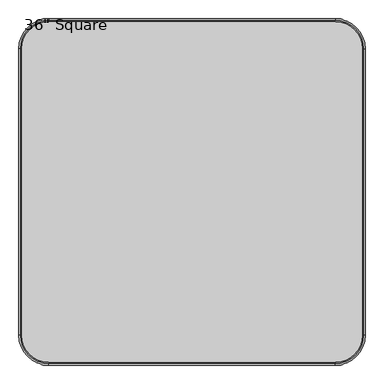
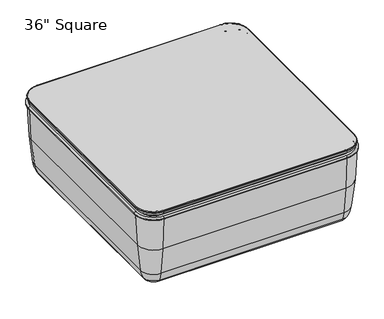
"""IFC4 building model written with IfcOpenShell, lengths in millimetres: furniture geometry."""

from ifc_helpers import new_model, si_unit, point, frame, origin, place, context, project, spatial, polyline, circle_curve, ellipse_curve, trimmed, source, transform, mapped, element, save
from ifc_brep_helpers import plane_surface, cylinder_surface, revolved_surface, advanced_brep


def furniture_7441102c(model_context):
    return source(origin(), model_context, "Body", "AdvancedBrep", [
        advanced_brep(
        [(300.0001866, 300.0089309, 25.0), (337.5023802, 300.0089309, 25.0), (262.4979929, 300.0089309, 25.0), (337.5023802, 300.0089309, 10.0663568), (262.4979929, 300.0089309, 10.0663568), (327.4360233, 300.0089309, 0.0), (272.5643498, 300.0089309, 0.0), (300.0001866, 300.0089309, 0.0)],
        [
            (0, 1),
            (1, 2, circle_curve(frame((300.0001866, 300.0089309, 25.0), z_axis=(0.0, 0.0, 1.0), x_axis=(1.0, 0.0, 0.0)), 37.5021936)),
            (2, 0),
            (2, 1, circle_curve(frame((300.0001866, 300.0089309, 25.0), z_axis=(0.0, 0.0, 1.0), x_axis=(1.0, 0.0, 0.0)), 37.5021936)),
            (1, 3),
            (3, 4, circle_curve(frame((300.0001866, 300.0089309, 10.0663568), z_axis=(0.0, 0.0, 1.0), x_axis=(1.0, 0.0, 0.0)), 37.5021936)),
            (4, 2),
            (4, 3, circle_curve(frame((300.0001866, 300.0089309, 10.0663568), z_axis=(0.0, 0.0, 1.0), x_axis=(1.0, 0.0, 0.0)), 37.5021936)),
            (3, 5, circle_curve(frame((327.4360233, 300.0089309, 10.0663568), z_axis=(0.0, 1.0, 0.0), x_axis=(-1.0, 0.0, 0.0)), 10.0663568)),
            (5, 6, circle_curve(frame((300.0001866, 300.0089309, 0.0), z_axis=(0.0, 0.0, 1.0), x_axis=(1.0, 0.0, 0.0)), 27.4358368)),
            (6, 4, circle_curve(frame((272.5643498, 300.0089309, 10.0663568), z_axis=(0.0, 1.0, 0.0), x_axis=(1.0, 0.0, 0.0)), 10.0663568)),
            (6, 5, circle_curve(frame((300.0001866, 300.0089309, 0.0), z_axis=(0.0, 0.0, 1.0), x_axis=(1.0, 0.0, 0.0)), 27.4358368)),
            (5, 7),
            (7, 6),
        ],
        [
            plane_surface(frame((300.0001866, 300.0089309, 25.0), z_axis=(0.0, 0.0, 1.0), x_axis=(1.0, 0.0, 0.0))),
            cylinder_surface(frame((300.0001866, 300.0089309, 25.0), z_axis=(0.0, 0.0, 1.0), x_axis=(1.0, 0.0, 0.0)), 37.5021936),
            revolved_surface(trimmed(ellipse_curve(frame((327.4360233, 300.0089309, 10.0663568), z_axis=(0.0, -1.0, 0.0), x_axis=(-1.0, 0.0, 0.0)), 10.0663568, 10.0663568), [point((327.4360233, 300.0089309, 0.0))], [point((337.5023802, 300.0089309, 10.0663568))], True, "CARTESIAN"), (300.0001866, 300.0089309, 25.0), (0.0, 0.0, 1.0)),
            plane_surface(frame((300.0001866, 300.0089309, 0.0), z_axis=(0.0, 0.0, -1.0), x_axis=(1.0, 0.0, 0.0))),
        ],
        [
            (0, [[1, 2, 3]]),
            (0, [[-3, 4, -1]]),
            (1, [[-2, 5, 6, 7]]),
            (1, [[-4, -7, 8, -5]]),
            (2, [[-6, 9, 10, 11]]),
            (2, [[-8, -11, 12, -9]]),
            (3, [[-10, 13, 14]]),
            (3, [[-12, -14, -13]]),
        ],
    ),
        advanced_brep(
        [(-262.4979929, 300.0089309, 25.0), (-337.5023802, 300.0089309, 25.0), (-300.0001866, 300.0089309, 25.0), (-262.4979929, 300.0089309, 10.0663568), (-337.5023802, 300.0089309, 10.0663568), (-272.5643498, 300.0089309, 0.0), (-327.4360233, 300.0089309, 0.0), (-300.0001866, 300.0089309, 0.0)],
        [
            (0, 1, circle_curve(frame((-300.0001866, 300.0089309, 25.0), z_axis=(0.0, 0.0, 1.0), x_axis=(-1.0, 0.0, 0.0)), 37.5021936)),
            (1, 2),
            (2, 0),
            (1, 0, circle_curve(frame((-300.0001866, 300.0089309, 25.0), z_axis=(0.0, 0.0, 1.0), x_axis=(-1.0, 0.0, 0.0)), 37.5021936)),
            (3, 4, circle_curve(frame((-300.0001866, 300.0089309, 10.0663568), z_axis=(0.0, 0.0, 1.0), x_axis=(-1.0, 0.0, 0.0)), 37.5021936)),
            (4, 1),
            (0, 3),
            (4, 3, circle_curve(frame((-300.0001866, 300.0089309, 10.0663568), z_axis=(0.0, 0.0, 1.0), x_axis=(-1.0, 0.0, 0.0)), 37.5021936)),
            (5, 6, circle_curve(frame((-300.0001866, 300.0089309, 0.0), z_axis=(0.0, 0.0, 1.0), x_axis=(-1.0, 0.0, 0.0)), 27.4358368)),
            (6, 4, circle_curve(frame((-327.4360233, 300.0089309, 10.0663568), z_axis=(0.0, 1.0, 0.0), x_axis=(-1.0, 0.0, 0.0)), 10.0663568)),
            (3, 5, circle_curve(frame((-272.5643498, 300.0089309, 10.0663568), z_axis=(0.0, 1.0, 0.0), x_axis=(1.0, 0.0, 0.0)), 10.0663568)),
            (6, 5, circle_curve(frame((-300.0001866, 300.0089309, 0.0), z_axis=(0.0, 0.0, 1.0), x_axis=(-1.0, 0.0, 0.0)), 27.4358368)),
            (7, 6),
            (5, 7),
        ],
        [
            plane_surface(frame((-300.0001866, 300.0089309, 25.0), z_axis=(0.0, 0.0, 1.0), x_axis=(-1.0, 0.0, 0.0))),
            cylinder_surface(frame((-300.0001866, 300.0089309, 25.0), z_axis=(0.0, 0.0, -1.0), x_axis=(-1.0, 0.0, 0.0)), 37.5021936),
            revolved_surface(trimmed(ellipse_curve(frame((-327.4360233, 300.0089309, 10.0663568), z_axis=(0.0, -1.0, 0.0), x_axis=(-1.0, 0.0, 0.0)), 10.0663568, 10.0663568), [point((-337.5023802, 300.0089309, 10.0663568))], [point((-327.4360233, 300.0089309, 0.0))], True, "CARTESIAN"), (-300.0001866, 300.0089309, 25.0), (0.0, 0.0, -1.0)),
            plane_surface(frame((-300.0001866, 300.0089309, 0.0), z_axis=(0.0, 0.0, -1.0), x_axis=(-1.0, 0.0, 0.0))),
        ],
        [
            (0, [[1, 2, 3]]),
            (0, [[4, -3, -2]]),
            (1, [[5, 6, -1, 7]]),
            (1, [[8, -7, -4, -6]]),
            (2, [[9, 10, -5, 11]]),
            (2, [[12, -11, -8, -10]]),
            (3, [[13, -9, 14]]),
            (3, [[-14, -12, -13]]),
        ],
    ),
        advanced_brep(
        [(262.4979929, -300.0089309, 25.0), (337.5023802, -300.0089309, 25.0), (300.0001866, -300.0089309, 25.0), (262.4979929, -300.0089309, 10.0663568), (337.5023802, -300.0089309, 10.0663568), (272.5643498, -300.0089309, 0.0), (327.4360233, -300.0089309, 0.0), (300.0001866, -300.0089309, 0.0)],
        [
            (0, 1, circle_curve(frame((300.0001866, -300.0089309, 25.0), z_axis=(0.0, 0.0, 1.0), x_axis=(1.0, 0.0, 0.0)), 37.5021936)),
            (1, 2),
            (2, 0),
            (1, 0, circle_curve(frame((300.0001866, -300.0089309, 25.0), z_axis=(0.0, 0.0, 1.0), x_axis=(1.0, 0.0, 0.0)), 37.5021936)),
            (3, 4, circle_curve(frame((300.0001866, -300.0089309, 10.0663568), z_axis=(0.0, 0.0, 1.0), x_axis=(1.0, 0.0, 0.0)), 37.5021936)),
            (4, 1),
            (0, 3),
            (4, 3, circle_curve(frame((300.0001866, -300.0089309, 10.0663568), z_axis=(0.0, 0.0, 1.0), x_axis=(1.0, 0.0, 0.0)), 37.5021936)),
            (5, 6, circle_curve(frame((300.0001866, -300.0089309, 0.0), z_axis=(0.0, 0.0, 1.0), x_axis=(1.0, 0.0, 0.0)), 27.4358368)),
            (6, 4, circle_curve(frame((327.4360233, -300.0089309, 10.0663568), z_axis=(0.0, -1.0, 0.0), x_axis=(-1.0, 0.0, 0.0)), 10.0663568)),
            (3, 5, circle_curve(frame((272.5643498, -300.0089309, 10.0663568), z_axis=(0.0, -1.0, 0.0), x_axis=(1.0, 0.0, 0.0)), 10.0663568)),
            (6, 5, circle_curve(frame((300.0001866, -300.0089309, 0.0), z_axis=(0.0, 0.0, 1.0), x_axis=(1.0, 0.0, 0.0)), 27.4358368)),
            (7, 6),
            (5, 7),
        ],
        [
            plane_surface(frame((300.0001866, -300.0089309, 25.0), z_axis=(0.0, 0.0, 1.0), x_axis=(1.0, 0.0, 0.0))),
            cylinder_surface(frame((300.0001866, -300.0089309, 25.0), z_axis=(0.0, 0.0, -1.0), x_axis=(1.0, 0.0, 0.0)), 37.5021936),
            revolved_surface(trimmed(ellipse_curve(frame((327.4360233, -300.0089309, 10.0663568), z_axis=(0.0, 1.0, 0.0), x_axis=(-1.0, 0.0, 0.0)), 10.0663568, 10.0663568), [point((337.5023802, -300.0089309, 10.0663568))], [point((327.4360233, -300.0089309, 0.0))], True, "CARTESIAN"), (300.0001866, -300.0089309, 25.0), (0.0, 0.0, -1.0)),
            plane_surface(frame((300.0001866, -300.0089309, 0.0), z_axis=(0.0, 0.0, -1.0), x_axis=(1.0, 0.0, 0.0))),
        ],
        [
            (0, [[1, 2, 3]]),
            (0, [[4, -3, -2]]),
            (1, [[5, 6, -1, 7]]),
            (1, [[8, -7, -4, -6]]),
            (2, [[9, 10, -5, 11]]),
            (2, [[12, -11, -8, -10]]),
            (3, [[13, -9, 14]]),
            (3, [[-14, -12, -13]]),
        ],
    ),
        advanced_brep(
        [(-300.0001866, -300.0089309, 25.0), (-337.5023802, -300.0089309, 25.0), (-262.4979929, -300.0089309, 25.0), (-337.5023802, -300.0089309, 10.0663568), (-262.4979929, -300.0089309, 10.0663568), (-327.4360233, -300.0089309, 0.0), (-272.5643498, -300.0089309, 0.0), (-300.0001866, -300.0089309, 0.0)],
        [
            (0, 1),
            (1, 2, circle_curve(frame((-300.0001866, -300.0089309, 25.0), z_axis=(0.0, 0.0, 1.0), x_axis=(-1.0, 0.0, 0.0)), 37.5021936)),
            (2, 0),
            (2, 1, circle_curve(frame((-300.0001866, -300.0089309, 25.0), z_axis=(0.0, 0.0, 1.0), x_axis=(-1.0, 0.0, 0.0)), 37.5021936)),
            (1, 3),
            (3, 4, circle_curve(frame((-300.0001866, -300.0089309, 10.0663568), z_axis=(0.0, 0.0, 1.0), x_axis=(-1.0, 0.0, 0.0)), 37.5021936)),
            (4, 2),
            (4, 3, circle_curve(frame((-300.0001866, -300.0089309, 10.0663568), z_axis=(0.0, 0.0, 1.0), x_axis=(-1.0, 0.0, 0.0)), 37.5021936)),
            (3, 5, circle_curve(frame((-327.4360233, -300.0089309, 10.0663568), z_axis=(0.0, -1.0, 0.0), x_axis=(-1.0, 0.0, 0.0)), 10.0663568)),
            (5, 6, circle_curve(frame((-300.0001866, -300.0089309, 0.0), z_axis=(0.0, 0.0, 1.0), x_axis=(-1.0, 0.0, 0.0)), 27.4358368)),
            (6, 4, circle_curve(frame((-272.5643498, -300.0089309, 10.0663568), z_axis=(0.0, -1.0, 0.0), x_axis=(1.0, 0.0, 0.0)), 10.0663568)),
            (6, 5, circle_curve(frame((-300.0001866, -300.0089309, 0.0), z_axis=(0.0, 0.0, 1.0), x_axis=(-1.0, 0.0, 0.0)), 27.4358368)),
            (5, 7),
            (7, 6),
        ],
        [
            plane_surface(frame((-300.0001866, -300.0089309, 25.0), z_axis=(0.0, 0.0, 1.0), x_axis=(-1.0, 0.0, 0.0))),
            cylinder_surface(frame((-300.0001866, -300.0089309, 25.0), z_axis=(0.0, 0.0, 1.0), x_axis=(-1.0, 0.0, 0.0)), 37.5021936),
            revolved_surface(trimmed(ellipse_curve(frame((-327.4360233, -300.0089309, 10.0663568), z_axis=(0.0, 1.0, 0.0), x_axis=(-1.0, 0.0, 0.0)), 10.0663568, 10.0663568), [point((-327.4360233, -300.0089309, 0.0))], [point((-337.5023802, -300.0089309, 10.0663568))], True, "CARTESIAN"), (-300.0001866, -300.0089309, 25.0), (0.0, 0.0, 1.0)),
            plane_surface(frame((-300.0001866, -300.0089309, 0.0), z_axis=(0.0, 0.0, -1.0), x_axis=(-1.0, 0.0, 0.0))),
        ],
        [
            (0, [[1, 2, 3]]),
            (0, [[-3, 4, -1]]),
            (1, [[-2, 5, 6, 7]]),
            (1, [[-4, -7, 8, -5]]),
            (2, [[-6, 9, 10, 11]]),
            (2, [[-8, -11, 12, -9]]),
            (3, [[-10, 13, 14]]),
            (3, [[-12, -14, -13]]),
        ],
    ),
        advanced_brep(
        [(382.2, -462.1938413, 340.0122715), (462.1938413, -382.2, 340.0122715), (452.2061587, -382.2, 340.0122715), (382.2, -452.2061587, 340.0122715), (-382.2, -452.2061587, 340.0122715), (-382.2, -462.1938413, 340.0122715), (-462.1938413, -382.2, 340.0122715), (-452.2061587, -382.2, 340.0122715), (-452.2061587, 382.2, 340.0122715), (-462.1938413, 382.2, 340.0122715), (-382.2, 462.1938413, 340.0122715), (-382.2, 452.2061587, 340.0122715), (382.2, 452.2061587, 340.0122715), (382.2, 462.1938413, 340.0122715), (462.1938413, 382.2, 340.0122715), (452.2061587, 382.2, 340.0122715)],
        [
            (0, 1, circle_curve(frame((382.2, -382.2, 340.0122715), z_axis=(0.0, 0.0, 1.0), x_axis=(1.0, 0.0, 0.0)), 79.9938413)),
            (1, 2, circle_curve(frame((457.2, -382.2, 340.0122715), z_axis=(0.0, -1.0, 0.0), x_axis=(1.0, 0.0, 0.0)), 4.9938413)),
            (2, 3, circle_curve(frame((382.2, -382.2, 340.0122715), z_axis=(0.0, 0.0, -1.0), x_axis=(1.0, 0.0, 0.0)), 70.0061587)),
            (3, 0, circle_curve(frame((382.2, -457.2, 340.0122715), z_axis=(1.0, 0.0, 0.0), x_axis=(0.0, -1.0, 0.0)), 4.9938413)),
            (2, 1, circle_curve(frame((457.2, -382.2, 340.0122715), z_axis=(0.0, -1.0, 0.0), x_axis=(1.0, 0.0, 0.0)), 4.9938413)),
            (0, 3, circle_curve(frame((382.2, -457.2, 340.0122715), z_axis=(1.0, 0.0, 0.0), x_axis=(0.0, -1.0, 0.0)), 4.9938413)),
            (3, 4),
            (4, 5, circle_curve(frame((-382.2, -457.2, 340.0122715), z_axis=(1.0, 0.0, 0.0), x_axis=(0.0, -1.0, 0.0)), 4.9938413)),
            (5, 0),
            (5, 4, circle_curve(frame((-382.2, -457.2, 340.0122715), z_axis=(1.0, 0.0, 0.0), x_axis=(0.0, -1.0, 0.0)), 4.9938413)),
            (6, 5, circle_curve(frame((-382.2, -382.2, 340.0122715), z_axis=(0.0, 0.0, 1.0), x_axis=(0.0, -1.0, 0.0)), 79.9938413)),
            (4, 7, circle_curve(frame((-382.2, -382.2, 340.0122715), z_axis=(0.0, 0.0, -1.0), x_axis=(0.0, -1.0, 0.0)), 70.0061587)),
            (7, 6, circle_curve(frame((-457.2, -382.2, 340.0122715), z_axis=(0.0, -1.0, 0.0), x_axis=(-1.0, 0.0, 0.0)), 4.9938413)),
            (6, 7, circle_curve(frame((-457.2, -382.2, 340.0122715), z_axis=(0.0, -1.0, 0.0), x_axis=(-1.0, 0.0, 0.0)), 4.9938413)),
            (7, 8),
            (8, 9, circle_curve(frame((-457.2, 382.2, 340.0122715), z_axis=(0.0, -1.0, 0.0), x_axis=(-1.0, 0.0, 0.0)), 4.9938413)),
            (9, 6),
            (9, 8, circle_curve(frame((-457.2, 382.2, 340.0122715), z_axis=(0.0, -1.0, 0.0), x_axis=(-1.0, 0.0, 0.0)), 4.9938413)),
            (10, 9, circle_curve(frame((-382.2, 382.2, 340.0122715), z_axis=(0.0, 0.0, 1.0), x_axis=(-1.0, 0.0, 0.0)), 79.9938413)),
            (8, 11, circle_curve(frame((-382.2, 382.2, 340.0122715), z_axis=(0.0, 0.0, -1.0), x_axis=(-1.0, 0.0, 0.0)), 70.0061587)),
            (11, 10, circle_curve(frame((-382.2, 457.2, 340.0122715), z_axis=(-1.0, 0.0, 0.0), x_axis=(0.0, 1.0, 0.0)), 4.9938413)),
            (10, 11, circle_curve(frame((-382.2, 457.2, 340.0122715), z_axis=(-1.0, 0.0, 0.0), x_axis=(0.0, 1.0, 0.0)), 4.9938413)),
            (11, 12),
            (12, 13, circle_curve(frame((382.2, 457.2, 340.0122715), z_axis=(-1.0, 0.0, 0.0), x_axis=(0.0, 1.0, 0.0)), 4.9938413)),
            (13, 10),
            (13, 12, circle_curve(frame((382.2, 457.2, 340.0122715), z_axis=(-1.0, 0.0, 0.0), x_axis=(0.0, 1.0, 0.0)), 4.9938413)),
            (14, 13, circle_curve(frame((382.2, 382.2, 340.0122715), z_axis=(0.0, 0.0, 1.0), x_axis=(0.0, 1.0, 0.0)), 79.9938413)),
            (12, 15, circle_curve(frame((382.2, 382.2, 340.0122715), z_axis=(0.0, 0.0, -1.0), x_axis=(0.0, 1.0, 0.0)), 70.0061587)),
            (15, 14, circle_curve(frame((457.2, 382.2, 340.0122715), z_axis=(0.0, 1.0, 0.0), x_axis=(1.0, 0.0, 0.0)), 4.9938413)),
            (14, 15, circle_curve(frame((457.2, 382.2, 340.0122715), z_axis=(0.0, 1.0, 0.0), x_axis=(1.0, 0.0, 0.0)), 4.9938413)),
            (15, 2),
            (1, 14),
        ],
        [
            revolved_surface(trimmed(ellipse_curve(frame((457.2, -382.2, 340.0122715), z_axis=(0.0, 1.0, 0.0), x_axis=(1.0, 0.0, 0.0)), 4.9938413, 4.9938413), [point((452.2061587, -382.2, 340.0122715))], [point((462.1938413, -382.2, 340.0122715))], True, "CARTESIAN"), (382.2, -382.2, 335.0184302), (0.0, 0.0, -1.0)),
            revolved_surface(trimmed(ellipse_curve(frame((457.2, -382.2, 340.0122715), z_axis=(0.0, 1.0, 0.0), x_axis=(1.0, 0.0, 0.0)), 4.9938413, 4.9938413), [point((462.1938413, -382.2, 340.0122715))], [point((452.2061587, -382.2, 340.0122715))], True, "CARTESIAN"), (382.2, -382.2, 335.0184302), (0.0, 0.0, -1.0)),
            cylinder_surface(frame((382.2, -457.2, 340.0122715), z_axis=(1.0, 0.0, 0.0), x_axis=(0.0, -1.0, 0.0)), 4.9938413),
            revolved_surface(trimmed(ellipse_curve(frame((-382.2, -457.2, 340.0122715), z_axis=(1.0, 0.0, 0.0), x_axis=(0.0, -1.0, 0.0)), 4.9938413, 4.9938413), [point((-382.2, -452.2061587, 340.0122715))], [point((-382.2, -462.1938413, 340.0122715))], True, "CARTESIAN"), (-382.2, -382.2, 335.0184302), (0.0, 0.0, -1.0)),
            revolved_surface(trimmed(ellipse_curve(frame((-382.2, -457.2, 340.0122715), z_axis=(1.0, 0.0, 0.0), x_axis=(0.0, -1.0, 0.0)), 4.9938413, 4.9938413), [point((-382.2, -462.1938413, 340.0122715))], [point((-382.2, -452.2061587, 340.0122715))], True, "CARTESIAN"), (-382.2, -382.2, 335.0184302), (0.0, 0.0, -1.0)),
            cylinder_surface(frame((-457.2, -382.2, 340.0122715), z_axis=(0.0, -1.0, 0.0), x_axis=(-1.0, 0.0, 0.0)), 4.9938413),
            revolved_surface(trimmed(ellipse_curve(frame((-457.2, 382.2, 340.0122715), z_axis=(0.0, -1.0, 0.0), x_axis=(-1.0, 0.0, 0.0)), 4.9938413, 4.9938413), [point((-452.2061587, 382.2, 340.0122715))], [point((-462.1938413, 382.2, 340.0122715))], True, "CARTESIAN"), (-382.2, 382.2, 335.0184302), (0.0, 0.0, -1.0)),
            revolved_surface(trimmed(ellipse_curve(frame((-457.2, 382.2, 340.0122715), z_axis=(0.0, -1.0, 0.0), x_axis=(-1.0, 0.0, 0.0)), 4.9938413, 4.9938413), [point((-462.1938413, 382.2, 340.0122715))], [point((-452.2061587, 382.2, 340.0122715))], True, "CARTESIAN"), (-382.2, 382.2, 335.0184302), (0.0, 0.0, -1.0)),
            cylinder_surface(frame((-382.2, 457.2, 340.0122715), z_axis=(-1.0, 0.0, 0.0), x_axis=(0.0, 1.0, 0.0)), 4.9938413),
            revolved_surface(trimmed(ellipse_curve(frame((382.2, 457.2, 340.0122715), z_axis=(-1.0, 0.0, 0.0), x_axis=(0.0, 1.0, 0.0)), 4.9938413, 4.9938413), [point((382.2, 452.2061587, 340.0122715))], [point((382.2, 462.1938413, 340.0122715))], True, "CARTESIAN"), (382.2, 382.2, 335.0184302), (0.0, 0.0, -1.0)),
            revolved_surface(trimmed(ellipse_curve(frame((382.2, 457.2, 340.0122715), z_axis=(-1.0, 0.0, 0.0), x_axis=(0.0, 1.0, 0.0)), 4.9938413, 4.9938413), [point((382.2, 462.1938413, 340.0122715))], [point((382.2, 452.2061587, 340.0122715))], True, "CARTESIAN"), (382.2, 382.2, 335.0184302), (0.0, 0.0, -1.0)),
            cylinder_surface(frame((457.2, 382.2, 340.0122715), z_axis=(0.0, 1.0, 0.0), x_axis=(1.0, 0.0, 0.0)), 4.9938413),
        ],
        [
            (0, [[1, 2, 3, 4]]),
            (1, [[-3, 5, -1, 6]]),
            (2, [[-4, 7, 8, 9]]),
            (2, [[-6, -9, 10, -7]]),
            (3, [[11, -8, 12, 13]]),
            (4, [[-12, -10, -11, 14]]),
            (5, [[-13, 15, 16, 17]]),
            (5, [[-14, -17, 18, -15]]),
            (6, [[19, -16, 20, 21]]),
            (7, [[-20, -18, -19, 22]]),
            (8, [[-21, 23, 24, 25]]),
            (8, [[-22, -25, 26, -23]]),
            (9, [[27, -24, 28, 29]]),
            (10, [[-28, -26, -27, 30]]),
            (11, [[-29, 31, -2, 32]]),
            (11, [[-30, -32, -5, -31]]),
        ],
    ),
        advanced_brep(
        [(382.2, 454.025, 370.0), (-382.2, 454.025, 370.0), (-454.025, 382.2, 370.0), (-454.025, -382.2, 370.0), (-382.2, -454.025, 370.0), (382.2, -454.025, 370.0), (454.025, -382.2, 370.0), (454.025, 382.2, 370.0), (-382.2, -430.85, 335.0184302), (-430.85, -382.2, 335.0184302), (-430.85, 382.2, 335.0184302), (-382.2, 430.85, 335.0184302), (382.2, 430.85, 335.0184302), (430.85, 382.2, 335.0184302), (430.85, -382.2, 335.0184302), (382.2, -430.85, 335.0184302), (382.2, -430.85, 340.0), (-382.2, -430.85, 340.0), (430.85, -382.2, 340.0), (430.85, 382.2, 340.0), (382.2, 430.85, 340.0), (-382.2, 430.85, 340.0), (-430.85, 382.2, 340.0), (-430.85, -382.2, 340.0), (-382.2, -437.2, 350.0), (-437.2, -382.2, 350.0), (-437.2, -382.2, 340.0), (-382.2, -437.2, 340.0), (-382.2, -457.2, 366.825), (-457.2, -382.2, 366.825), (-457.2, -382.2, 365.875), (-382.2, -457.2, 365.875), (382.2, -437.2, 340.0), (382.2, -437.2, 350.0), (382.2, -457.2, 365.875), (382.2, -457.2, 366.825), (437.2, -382.2, 340.0), (437.2, -382.2, 350.0), (457.2, -382.2, 365.875), (457.2, -382.2, 366.825), (437.2, 382.2, 340.0), (437.2, 382.2, 350.0), (457.2, 382.2, 365.875), (457.2, 382.2, 366.825), (382.2, 437.2, 340.0), (382.2, 437.2, 350.0), (382.2, 457.2, 365.875), (382.2, 457.2, 366.825), (-382.2, 437.2, 340.0), (-382.2, 437.2, 350.0), (-382.2, 457.2, 365.875), (-382.2, 457.2, 366.825), (-437.2, 382.2, 340.0), (-437.2, 382.2, 350.0), (-457.2, 382.2, 365.875), (-457.2, 382.2, 366.825), (-441.325, -382.2, 350.0), (-441.325, 382.2, 350.0), (-382.2, 441.325, 350.0), (382.2, 441.325, 350.0), (441.325, 382.2, 350.0), (441.325, -382.2, 350.0), (382.2, -441.325, 350.0), (-382.2, -441.325, 350.0)],
        [
            (0, 1),
            (1, 2, circle_curve(frame((-382.2, 382.2, 370.0), z_axis=(0.0, 0.0, 1.0), x_axis=(0.0, 1.0, 0.0)), 71.825)),
            (2, 3),
            (3, 4, circle_curve(frame((-382.2, -382.2, 370.0), z_axis=(0.0, 0.0, 1.0), x_axis=(-1.0, 0.0, 0.0)), 71.825)),
            (4, 5),
            (5, 6, circle_curve(frame((382.2, -382.2, 370.0), z_axis=(0.0, 0.0, 1.0), x_axis=(0.0, -1.0, 0.0)), 71.825)),
            (6, 7),
            (7, 0, circle_curve(frame((382.2, 382.2, 370.0), z_axis=(0.0, 0.0, 1.0), x_axis=(1.0, 0.0, 0.0)), 71.825)),
            (8, 9, circle_curve(frame((-382.2, -382.2, 335.0184302), z_axis=(0.0, 0.0, -1.0), x_axis=(-1.0, 0.0, 0.0)), 48.65)),
            (9, 10),
            (10, 11, circle_curve(frame((-382.2, 382.2, 335.0184302), z_axis=(0.0, 0.0, -1.0), x_axis=(-1.0, 0.0, 0.0)), 48.65)),
            (11, 12),
            (12, 13, circle_curve(frame((382.2, 382.2, 335.0184302), z_axis=(0.0, 0.0, -1.0), x_axis=(-1.0, 0.0, 0.0)), 48.65)),
            (13, 14),
            (14, 15, circle_curve(frame((382.2, -382.2, 335.0184302), z_axis=(0.0, 0.0, -1.0), x_axis=(-1.0, 0.0, 0.0)), 48.65)),
            (15, 8),
            (15, 16),
            (16, 17),
            (17, 8),
            (14, 18),
            (18, 16, circle_curve(frame((382.2, -382.2, 340.0), z_axis=(0.0, 0.0, -1.0), x_axis=(-1.0, 0.0, 0.0)), 48.65)),
            (13, 19),
            (19, 18),
            (12, 20),
            (20, 19, circle_curve(frame((382.2, 382.2, 340.0), z_axis=(0.0, 0.0, -1.0), x_axis=(-1.0, 0.0, 0.0)), 48.65)),
            (11, 21),
            (21, 20),
            (10, 22),
            (22, 21, circle_curve(frame((-382.2, 382.2, 340.0), z_axis=(0.0, 0.0, -1.0), x_axis=(-1.0, 0.0, 0.0)), 48.65)),
            (9, 23),
            (23, 22),
            (17, 23, circle_curve(frame((-382.2, -382.2, 340.0), z_axis=(0.0, 0.0, -1.0), x_axis=(-1.0, 0.0, 0.0)), 48.65)),
            (24, 25, circle_curve(frame((-382.2, -382.2, 350.0), z_axis=(0.0, 0.0, -1.0), x_axis=(-1.0, 0.0, 0.0)), 55.0)),
            (25, 26),
            (26, 27, circle_curve(frame((-382.2, -382.2, 340.0), z_axis=(0.0, 0.0, 1.0), x_axis=(-1.0, 0.0, 0.0)), 55.0)),
            (27, 24),
            (28, 29, circle_curve(frame((-382.2, -382.2, 366.825), z_axis=(0.0, 0.0, -1.0), x_axis=(-1.0, 0.0, 0.0)), 75.0)),
            (29, 30),
            (30, 31, circle_curve(frame((-382.2, -382.2, 365.875), z_axis=(0.0, 0.0, 1.0), x_axis=(-1.0, 0.0, 0.0)), 75.0)),
            (31, 28),
            (27, 32),
            (32, 33),
            (33, 24),
            (31, 34),
            (34, 35),
            (35, 28),
            (32, 36, circle_curve(frame((382.2, -382.2, 340.0), z_axis=(0.0, 0.0, 1.0), x_axis=(0.0, -1.0, 0.0)), 55.0)),
            (36, 37),
            (37, 33, circle_curve(frame((382.2, -382.2, 350.0), z_axis=(0.0, 0.0, -1.0), x_axis=(0.0, -1.0, 0.0)), 55.0)),
            (34, 38, circle_curve(frame((382.2, -382.2, 365.875), z_axis=(0.0, 0.0, 1.0), x_axis=(0.0, -1.0, 0.0)), 75.0)),
            (38, 39),
            (39, 35, circle_curve(frame((382.2, -382.2, 366.825), z_axis=(0.0, 0.0, -1.0), x_axis=(0.0, -1.0, 0.0)), 75.0)),
            (36, 40),
            (40, 41),
            (41, 37),
            (38, 42),
            (42, 43),
            (43, 39),
            (40, 44, circle_curve(frame((382.2, 382.2, 340.0), z_axis=(0.0, 0.0, 1.0), x_axis=(1.0, 0.0, 0.0)), 55.0)),
            (44, 45),
            (45, 41, circle_curve(frame((382.2, 382.2, 350.0), z_axis=(0.0, 0.0, -1.0), x_axis=(1.0, 0.0, 0.0)), 55.0)),
            (42, 46, circle_curve(frame((382.2, 382.2, 365.875), z_axis=(0.0, 0.0, 1.0), x_axis=(1.0, 0.0, 0.0)), 75.0)),
            (46, 47),
            (47, 43, circle_curve(frame((382.2, 382.2, 366.825), z_axis=(0.0, 0.0, -1.0), x_axis=(1.0, 0.0, 0.0)), 75.0)),
            (44, 48),
            (48, 49),
            (49, 45),
            (46, 50),
            (50, 51),
            (51, 47),
            (48, 52, circle_curve(frame((-382.2, 382.2, 340.0), z_axis=(0.0, 0.0, 1.0), x_axis=(0.0, 1.0, 0.0)), 55.0)),
            (52, 53),
            (53, 49, circle_curve(frame((-382.2, 382.2, 350.0), z_axis=(0.0, 0.0, -1.0), x_axis=(0.0, 1.0, 0.0)), 55.0)),
            (50, 54, circle_curve(frame((-382.2, 382.2, 365.875), z_axis=(0.0, 0.0, 1.0), x_axis=(0.0, 1.0, 0.0)), 75.0)),
            (54, 55),
            (55, 51, circle_curve(frame((-382.2, 382.2, 366.825), z_axis=(0.0, 0.0, -1.0), x_axis=(0.0, 1.0, 0.0)), 75.0)),
            (25, 53),
            (52, 26),
            (56, 57),
            (57, 58, circle_curve(frame((-382.2, 382.2, 350.0), z_axis=(0.0, 0.0, -1.0), x_axis=(0.0, 1.0, 0.0)), 59.125)),
            (58, 59),
            (59, 60, circle_curve(frame((382.2, 382.2, 350.0), z_axis=(0.0, 0.0, -1.0), x_axis=(1.0, 0.0, 0.0)), 59.125)),
            (60, 61),
            (61, 62, circle_curve(frame((382.2, -382.2, 350.0), z_axis=(0.0, 0.0, -1.0), x_axis=(0.0, -1.0, 0.0)), 59.125)),
            (62, 63),
            (63, 56, circle_curve(frame((-382.2, -382.2, 350.0), z_axis=(0.0, 0.0, -1.0), x_axis=(-1.0, 0.0, 0.0)), 59.125)),
            (29, 55),
            (54, 30),
            (30, 56, circle_curve(frame((-441.325, -382.2, 365.875), z_axis=(0.0, -1.0, 0.0), x_axis=(1.0, 0.0, 0.0)), 15.875)),
            (63, 31, circle_curve(frame((-382.2, -441.325, 365.875), z_axis=(-1.0, 0.0, 0.0), x_axis=(0.0, 1.0, 0.0)), 15.875)),
            (28, 4, circle_curve(frame((-382.2, -454.025, 366.825), z_axis=(-1.0, 0.0, 0.0), x_axis=(0.0, 1.0, 0.0)), 3.175)),
            (3, 29, circle_curve(frame((-454.025, -382.2, 366.825), z_axis=(0.0, -1.0, 0.0), x_axis=(1.0, 0.0, 0.0)), 3.175)),
            (62, 34, circle_curve(frame((382.2, -441.325, 365.875), z_axis=(-1.0, 0.0, 0.0), x_axis=(0.0, 1.0, 0.0)), 15.875)),
            (35, 5, circle_curve(frame((382.2, -454.025, 366.825), z_axis=(-1.0, 0.0, 0.0), x_axis=(0.0, 1.0, 0.0)), 3.175)),
            (61, 38, circle_curve(frame((441.325, -382.2, 365.875), z_axis=(0.0, -1.0, 0.0), x_axis=(-1.0, 0.0, 0.0)), 15.875)),
            (39, 6, circle_curve(frame((454.025, -382.2, 366.825), z_axis=(0.0, -1.0, 0.0), x_axis=(-1.0, 0.0, 0.0)), 3.175)),
            (60, 42, circle_curve(frame((441.325, 382.2, 365.875), z_axis=(0.0, -1.0, 0.0), x_axis=(-1.0, 0.0, 0.0)), 15.875)),
            (43, 7, circle_curve(frame((454.025, 382.2, 366.825), z_axis=(0.0, -1.0, 0.0), x_axis=(-1.0, 0.0, 0.0)), 3.175)),
            (59, 46, circle_curve(frame((382.2, 441.325, 365.875), z_axis=(1.0, 0.0, 0.0), x_axis=(0.0, -1.0, 0.0)), 15.875)),
            (47, 0, circle_curve(frame((382.2, 454.025, 366.825), z_axis=(1.0, 0.0, 0.0), x_axis=(0.0, -1.0, 0.0)), 3.175)),
            (58, 50, circle_curve(frame((-382.2, 441.325, 365.875), z_axis=(1.0, 0.0, 0.0), x_axis=(0.0, -1.0, 0.0)), 15.875)),
            (51, 1, circle_curve(frame((-382.2, 454.025, 366.825), z_axis=(1.0, 0.0, 0.0), x_axis=(0.0, -1.0, 0.0)), 3.175)),
            (57, 54, circle_curve(frame((-441.325, 382.2, 365.875), z_axis=(0.0, 1.0, 0.0), x_axis=(1.0, 0.0, 0.0)), 15.875)),
            (55, 2, circle_curve(frame((-454.025, 382.2, 366.825), z_axis=(0.0, 1.0, 0.0), x_axis=(1.0, 0.0, 0.0)), 3.175)),
        ],
        [
            plane_surface(frame((382.2, -430.85, 370.0), z_axis=(0.0, 0.0, 1.0), x_axis=(1.0, 0.0, 0.0))),
            plane_surface(frame((382.2, -430.85, 335.0184302), z_axis=(0.0, 0.0, -1.0), x_axis=(-1.0, 0.0, 0.0))),
            plane_surface(frame((-382.2, -430.85, 370.0), z_axis=(0.0, -1.0, 0.0), x_axis=(0.0, 0.0, -1.0))),
            cylinder_surface(frame((382.2, -382.2, 335.0184302), z_axis=(0.0, 0.0, 1.0), x_axis=(-1.0, 0.0, 0.0)), 48.65),
            plane_surface(frame((430.85, -382.2, 370.0), z_axis=(1.0, 0.0, 0.0), x_axis=(0.0, 0.0, -1.0))),
            cylinder_surface(frame((382.2, 382.2, 335.0184302), z_axis=(0.0, 0.0, 1.0), x_axis=(-1.0, 0.0, 0.0)), 48.65),
            plane_surface(frame((382.2, 430.85, 370.0), z_axis=(0.0, 1.0, 0.0), x_axis=(0.0, 0.0, -1.0))),
            cylinder_surface(frame((-382.2, 382.2, 335.0184302), z_axis=(0.0, 0.0, 1.0), x_axis=(-1.0, 0.0, 0.0)), 48.65),
            plane_surface(frame((-430.85, 382.2, 370.0), z_axis=(-1.0, 0.0, 0.0), x_axis=(0.0, 0.0, -1.0))),
            cylinder_surface(frame((-382.2, -382.2, 335.0184302), z_axis=(0.0, 0.0, 1.0), x_axis=(-1.0, 0.0, 0.0)), 48.65),
            cylinder_surface(frame((-382.2, -382.2, 0.0), z_axis=(0.0, 0.0, 1.0), x_axis=(-1.0, 0.0, 0.0)), 55.0),
            cylinder_surface(frame((-382.2, -382.2, 0.0), z_axis=(0.0, 0.0, 1.0), x_axis=(-1.0, 0.0, 0.0)), 75.0),
            plane_surface(frame((-382.2, -437.2, 340.0), z_axis=(0.0, -1.0, 0.0), x_axis=(1.0, 0.0, 0.0))),
            plane_surface(frame((-382.2, -457.2, 365.875), z_axis=(0.0, -1.0, 0.0), x_axis=(1.0, 0.0, 0.0))),
            cylinder_surface(frame((382.2, -382.2, 0.0), z_axis=(0.0, 0.0, 1.0), x_axis=(0.0, -1.0, 0.0)), 55.0),
            cylinder_surface(frame((382.2, -382.2, 0.0), z_axis=(0.0, 0.0, 1.0), x_axis=(0.0, -1.0, 0.0)), 75.0),
            plane_surface(frame((437.2, -382.2, 340.0), z_axis=(1.0, 0.0, 0.0), x_axis=(0.0, 1.0, 0.0))),
            plane_surface(frame((457.2, -382.2, 365.875), z_axis=(1.0, 0.0, 0.0), x_axis=(0.0, 1.0, 0.0))),
            cylinder_surface(frame((382.2, 382.2, 0.0), z_axis=(0.0, 0.0, 1.0), x_axis=(1.0, 0.0, 0.0)), 55.0),
            cylinder_surface(frame((382.2, 382.2, 0.0), z_axis=(0.0, 0.0, 1.0), x_axis=(1.0, 0.0, 0.0)), 75.0),
            plane_surface(frame((382.2, 437.2, 340.0), z_axis=(0.0, 1.0, 0.0), x_axis=(-1.0, 0.0, 0.0))),
            plane_surface(frame((382.2, 457.2, 365.875), z_axis=(0.0, 1.0, 0.0), x_axis=(-1.0, 0.0, 0.0))),
            cylinder_surface(frame((-382.2, 382.2, 0.0), z_axis=(0.0, 0.0, 1.0), x_axis=(0.0, 1.0, 0.0)), 55.0),
            cylinder_surface(frame((-382.2, 382.2, 0.0), z_axis=(0.0, 0.0, 1.0), x_axis=(0.0, 1.0, 0.0)), 75.0),
            plane_surface(frame((-437.2, 382.2, 340.0), z_axis=(-1.0, 0.0, 0.0), x_axis=(0.0, -1.0, 0.0))),
            plane_surface(frame((-437.2, 382.2, 350.0), z_axis=(0.0, 0.0, -1.0), x_axis=(0.0, -1.0, 0.0))),
            plane_surface(frame((-457.2, 382.2, 365.875), z_axis=(-1.0, 0.0, 0.0), x_axis=(0.0, -1.0, 0.0))),
            plane_surface(frame((-430.85, 382.2, 340.0), z_axis=(0.0, 0.0, -1.0), x_axis=(0.0, -1.0, 0.0))),
            revolved_surface(trimmed(ellipse_curve(frame((-441.325, -382.2, 365.875), z_axis=(0.0, 1.0, 0.0), x_axis=(1.0, 0.0, 0.0)), 15.875, 15.875), [point((-441.325, -382.2, 350.0))], [point((-457.2, -382.2, 365.875))], True, "CARTESIAN"), (-382.2, -382.2, 0.0), (0.0, 0.0, 1.0)),
            revolved_surface(trimmed(ellipse_curve(frame((-454.025, -382.2, 366.825), z_axis=(0.0, 1.0, 0.0), x_axis=(1.0, 0.0, 0.0)), 3.175, 3.175), [point((-457.2, -382.2, 366.825))], [point((-454.025, -382.2, 370.0))], True, "CARTESIAN"), (-382.2, -382.2, 0.0), (0.0, 0.0, 1.0)),
            cylinder_surface(frame((-382.2, -441.325, 365.875), z_axis=(-1.0, 0.0, 0.0), x_axis=(0.0, 1.0, 0.0)), 15.875),
            cylinder_surface(frame((-382.2, -454.025, 366.825), z_axis=(-1.0, 0.0, 0.0), x_axis=(0.0, 1.0, 0.0)), 3.175),
            revolved_surface(trimmed(ellipse_curve(frame((382.2, -441.325, 365.875), z_axis=(-1.0, 0.0, 0.0), x_axis=(0.0, 1.0, 0.0)), 15.875, 15.875), [point((382.2, -441.325, 350.0))], [point((382.2, -457.2, 365.875))], True, "CARTESIAN"), (382.2, -382.2, 0.0), (0.0, 0.0, 1.0)),
            revolved_surface(trimmed(ellipse_curve(frame((382.2, -454.025, 366.825), z_axis=(-1.0, 0.0, 0.0), x_axis=(0.0, 1.0, 0.0)), 3.175, 3.175), [point((382.2, -457.2, 366.825))], [point((382.2, -454.025, 370.0))], True, "CARTESIAN"), (382.2, -382.2, 0.0), (0.0, 0.0, 1.0)),
            cylinder_surface(frame((441.325, -382.2, 365.875), z_axis=(0.0, -1.0, 0.0), x_axis=(-1.0, 0.0, 0.0)), 15.875),
            cylinder_surface(frame((454.025, -382.2, 366.825), z_axis=(0.0, -1.0, 0.0), x_axis=(-1.0, 0.0, 0.0)), 3.175),
            revolved_surface(trimmed(ellipse_curve(frame((441.325, 382.2, 365.875), z_axis=(0.0, -1.0, 0.0), x_axis=(-1.0, 0.0, 0.0)), 15.875, 15.875), [point((441.325, 382.2, 350.0))], [point((457.2, 382.2, 365.875))], True, "CARTESIAN"), (382.2, 382.2, 0.0), (0.0, 0.0, 1.0)),
            revolved_surface(trimmed(ellipse_curve(frame((454.025, 382.2, 366.825), z_axis=(0.0, -1.0, 0.0), x_axis=(-1.0, 0.0, 0.0)), 3.175, 3.175), [point((457.2, 382.2, 366.825))], [point((454.025, 382.2, 370.0))], True, "CARTESIAN"), (382.2, 382.2, 0.0), (0.0, 0.0, 1.0)),
            cylinder_surface(frame((382.2, 441.325, 365.875), z_axis=(1.0, 0.0, 0.0), x_axis=(0.0, -1.0, 0.0)), 15.875),
            cylinder_surface(frame((382.2, 454.025, 366.825), z_axis=(1.0, 0.0, 0.0), x_axis=(0.0, -1.0, 0.0)), 3.175),
            revolved_surface(trimmed(ellipse_curve(frame((-382.2, 441.325, 365.875), z_axis=(1.0, 0.0, 0.0), x_axis=(0.0, -1.0, 0.0)), 15.875, 15.875), [point((-382.2, 441.325, 350.0))], [point((-382.2, 457.2, 365.875))], True, "CARTESIAN"), (-382.2, 382.2, 0.0), (0.0, 0.0, 1.0)),
            revolved_surface(trimmed(ellipse_curve(frame((-382.2, 454.025, 366.825), z_axis=(1.0, 0.0, 0.0), x_axis=(0.0, -1.0, 0.0)), 3.175, 3.175), [point((-382.2, 457.2, 366.825))], [point((-382.2, 454.025, 370.0))], True, "CARTESIAN"), (-382.2, 382.2, 0.0), (0.0, 0.0, 1.0)),
            cylinder_surface(frame((-441.325, 382.2, 365.875), z_axis=(0.0, 1.0, 0.0), x_axis=(1.0, 0.0, 0.0)), 15.875),
            cylinder_surface(frame((-454.025, 382.2, 366.825), z_axis=(0.0, 1.0, 0.0), x_axis=(1.0, 0.0, 0.0)), 3.175),
        ],
        [
            (0, [[1, 2, 3, 4, 5, 6, 7, 8]]),
            (1, [[9, 10, 11, 12, 13, 14, 15, 16]]),
            (2, [[-16, 17, 18, 19]]),
            (3, [[-15, 20, 21, -17]]),
            (4, [[-14, 22, 23, -20]]),
            (5, [[-13, 24, 25, -22]]),
            (6, [[-12, 26, 27, -24]]),
            (7, [[-11, 28, 29, -26]]),
            (8, [[-10, 30, 31, -28]]),
            (9, [[-9, -19, 32, -30]]),
            (10, [[33, 34, 35, 36]]),
            (11, [[37, 38, 39, 40]]),
            (12, [[-36, 41, 42, 43]]),
            (13, [[-40, 44, 45, 46]]),
            (14, [[-42, 47, 48, 49]]),
            (15, [[-45, 50, 51, 52]]),
            (16, [[-48, 53, 54, 55]]),
            (17, [[-51, 56, 57, 58]]),
            (18, [[-54, 59, 60, 61]]),
            (19, [[-57, 62, 63, 64]]),
            (20, [[-60, 65, 66, 67]]),
            (21, [[-63, 68, 69, 70]]),
            (22, [[-66, 71, 72, 73]]),
            (23, [[-69, 74, 75, 76]]),
            (24, [[-34, 77, -72, 78]]),
            (25, [[79, 80, 81, 82, 83, 84, 85, 86], [-33, -43, -49, -55, -61, -67, -73, -77]]),
            (26, [[-38, 87, -75, 88]]),
            (27, [[-35, -78, -71, -65, -59, -53, -47, -41], [-18, -21, -23, -25, -27, -29, -31, -32]]),
            (28, [[-39, 89, -86, 90]]),
            (29, [[-37, 91, -4, 92]]),
            (30, [[-44, -90, -85, 93]]),
            (31, [[-46, 94, -5, -91]]),
            (32, [[-50, -93, -84, 95]]),
            (33, [[-52, 96, -6, -94]]),
            (34, [[-56, -95, -83, 97]]),
            (35, [[-58, 98, -7, -96]]),
            (36, [[-62, -97, -82, 99]]),
            (37, [[-64, 100, -8, -98]]),
            (38, [[-68, -99, -81, 101]]),
            (39, [[-70, 102, -1, -100]]),
            (40, [[-74, -101, -80, 103]]),
            (41, [[-76, 104, -2, -102]]),
            (42, [[-79, -89, -88, -103]]),
            (43, [[-87, -92, -3, -104]]),
        ],
    ),
        advanced_brep(
        [(382.2, 457.2, 335.0184302), (-382.2, 457.2, 335.0184302), (-457.2, 382.2, 335.0184302), (-457.2, -382.2, 335.0184302), (-382.2, -457.2, 335.0184302), (382.2, -457.2, 335.0184302), (457.2, -382.2, 335.0184302), (457.2, 382.2, 335.0184302), (-382.2, 393.4426503, 25.0), (382.2, 393.4426503, 25.0), (393.4426503, 382.2, 25.0), (393.4426503, -382.2, 25.0), (382.2, -393.4426503, 25.0), (-382.2, -393.4426503, 25.0), (-393.4426503, -382.2, 25.0), (-393.4426503, 382.2, 25.0), (-382.2, 424.2440593, 43.3583127), (382.2, 424.2440593, 43.3583127), (-382.2, 437.0735206, 80.616943), (382.2, 437.0735206, 80.616943), (-382.2, 450.0139166, 197.89979), (382.2, 450.0139166, 197.89979), (-424.2440593, -382.2, 43.3583127), (-424.2440593, 382.2, 43.3583127), (-437.0735206, -382.2, 80.616943), (-437.0735206, 382.2, 80.616943), (-450.0139166, -382.2, 197.89979), (-450.0139166, 382.2, 197.89979), (-382.2, -450.0139166, 197.89979), (-382.2, -424.2440593, 43.3583127), (-382.2, -437.0735206, 80.616943), (382.2, -424.2440593, 43.3583127), (382.2, -437.0735206, 80.616943), (382.2, -450.0139166, 197.89979), (424.2440593, 382.2, 43.3583127), (424.2440593, -382.2, 43.3583127), (437.0735206, 382.2, 80.616943), (437.0735206, -382.2, 80.616943), (450.0139166, 382.2, 197.89979), (450.0139166, -382.2, 197.89979)],
        [
            (0, 1),
            (1, 2, circle_curve(frame((-382.2, 382.2, 335.0184302), z_axis=(0.0, 0.0, 1.0), x_axis=(0.0, 1.0, 0.0)), 75.0)),
            (2, 3),
            (3, 4, circle_curve(frame((-382.2, -382.2, 335.0184302), z_axis=(0.0, 0.0, 1.0), x_axis=(-1.0, 0.0, 0.0)), 75.0)),
            (4, 5),
            (5, 6, circle_curve(frame((382.2, -382.2, 335.0184302), z_axis=(0.0, 0.0, 1.0), x_axis=(0.0, -1.0, 0.0)), 75.0)),
            (6, 7),
            (7, 0, circle_curve(frame((382.2, 382.2, 335.0184302), z_axis=(0.0, 0.0, 1.0), x_axis=(0.0, 1.0, 0.0)), 75.0)),
            (8, 9),
            (9, 10, circle_curve(frame((382.2, 382.2, 25.0), z_axis=(0.0, 0.0, -1.0), x_axis=(0.0, 1.0, 0.0)), 11.2426503)),
            (10, 11),
            (11, 12, circle_curve(frame((382.2, -382.2, 25.0), z_axis=(0.0, 0.0, -1.0), x_axis=(0.0, -1.0, 0.0)), 11.2426503)),
            (12, 13),
            (13, 14, circle_curve(frame((-382.2, -382.2, 25.0), z_axis=(0.0, 0.0, -1.0), x_axis=(-1.0, 0.0, 0.0)), 11.2426503)),
            (14, 15),
            (15, 8, circle_curve(frame((-382.2, 382.2, 25.0), z_axis=(0.0, 0.0, -1.0), x_axis=(0.0, 1.0, 0.0)), 11.2426503)),
            (8, 16, circle_curve(frame((-382.2, 393.4426503, 60.0183174), z_axis=(1.0, 0.0, 0.0), x_axis=(0.0, -1.0, 0.0)), 35.0183174)),
            (16, 17),
            (17, 9, circle_curve(frame((382.2, 393.4426503, 60.0183174), z_axis=(-1.0, 0.0, 0.0), x_axis=(0.0, -1.0, 0.0)), 35.0183174)),
            (16, 18, circle_curve(frame((-382.2, 318.2241303, 100.7028492), z_axis=(1.0, 0.0, 0.0), x_axis=(0.0, -1.0, 0.0)), 120.5347303)),
            (18, 19),
            (19, 17, circle_curve(frame((382.2, 318.2241303, 100.7028492), z_axis=(-1.0, 0.0, 0.0), x_axis=(0.0, -1.0, 0.0)), 120.5347303)),
            (18, 20, circle_curve(frame((-382.2, -574.6403462, 251.5996445), z_axis=(1.0, 0.0, 0.0), x_axis=(0.0, -1.0, 0.0)), 1026.0604429)),
            (20, 21),
            (21, 19, circle_curve(frame((382.2, -574.6403462, 251.5996445), z_axis=(-1.0, 0.0, 0.0), x_axis=(0.0, -1.0, 0.0)), 1026.0604429)),
            (0, 21),
            (20, 1),
            (14, 22, circle_curve(frame((-393.4426503, -382.2, 60.0183174), z_axis=(0.0, 1.0, 0.0), x_axis=(1.0, 0.0, 0.0)), 35.0183174)),
            (22, 23),
            (23, 15, circle_curve(frame((-393.4426503, 382.2, 60.0183174), z_axis=(0.0, -1.0, 0.0), x_axis=(1.0, 0.0, 0.0)), 35.0183174)),
            (22, 24, circle_curve(frame((-318.2241303, -382.2, 100.7028492), z_axis=(0.0, 1.0, 0.0), x_axis=(1.0, 0.0, 0.0)), 120.5347303)),
            (24, 25),
            (25, 23, circle_curve(frame((-318.2241303, 382.2, 100.7028492), z_axis=(0.0, -1.0, 0.0), x_axis=(1.0, 0.0, 0.0)), 120.5347303)),
            (24, 26, circle_curve(frame((574.6403462, -382.2, 251.5996445), z_axis=(0.0, 1.0, 0.0), x_axis=(1.0, 0.0, 0.0)), 1026.0604429)),
            (26, 27),
            (27, 25, circle_curve(frame((574.6403462, 382.2, 251.5996445), z_axis=(0.0, -1.0, 0.0), x_axis=(1.0, 0.0, 0.0)), 1026.0604429)),
            (2, 27),
            (26, 3),
            (26, 28, circle_curve(frame((-382.2, -382.2, 197.89979), z_axis=(0.0, 0.0, 1.0), x_axis=(-1.0, 0.0, 0.0)), 67.8139166)),
            (28, 4),
            (13, 29, circle_curve(frame((-382.2, -393.4426503, 60.0183174), z_axis=(-1.0, 0.0, 0.0), x_axis=(0.0, 0.0, 1.0)), 35.0183174)),
            (29, 22, circle_curve(frame((-382.2, -382.2, 43.3583127), z_axis=(0.0, 0.0, -1.0), x_axis=(-1.0, 0.0, 0.0)), 42.0440593)),
            (29, 30, circle_curve(frame((-382.2, -318.2241303, 100.7028492), z_axis=(-1.0, 0.0, 0.0), x_axis=(0.0, 0.0, 1.0)), 120.5347303)),
            (30, 24, circle_curve(frame((-382.2, -382.2, 80.616943), z_axis=(0.0, 0.0, -1.0), x_axis=(-1.0, 0.0, 0.0)), 54.8735206)),
            (30, 28, circle_curve(frame((-382.2, 574.6403462, 251.5996445), z_axis=(-1.0, 0.0, 0.0), x_axis=(0.0, 0.0, 1.0)), 1026.0604429)),
            (12, 31, circle_curve(frame((382.2, -393.4426503, 60.0183174), z_axis=(-1.0, 0.0, 0.0), x_axis=(0.0, -1.0, 0.0)), 35.0183174)),
            (31, 29),
            (31, 32, circle_curve(frame((382.2, -318.2241303, 100.7028492), z_axis=(-1.0, 0.0, 0.0), x_axis=(0.0, -1.0, 0.0)), 120.5347303)),
            (32, 30),
            (32, 33, circle_curve(frame((382.2, 574.6403462, 251.5996445), z_axis=(-1.0, 0.0, 0.0), x_axis=(0.0, -1.0, 0.0)), 1026.0604429)),
            (33, 28),
            (33, 5),
            (10, 34, circle_curve(frame((393.4426503, 382.2, 60.0183174), z_axis=(0.0, -1.0, 0.0), x_axis=(1.0, 0.0, 0.0)), 35.0183174)),
            (34, 35),
            (35, 11, circle_curve(frame((393.4426503, -382.2, 60.0183174), z_axis=(0.0, 1.0, 0.0), x_axis=(1.0, 0.0, 0.0)), 35.0183174)),
            (34, 36, circle_curve(frame((318.2241303, 382.2, 100.7028492), z_axis=(0.0, -1.0, 0.0), x_axis=(1.0, 0.0, 0.0)), 120.5347303)),
            (36, 37),
            (37, 35, circle_curve(frame((318.2241303, -382.2, 100.7028492), z_axis=(0.0, 1.0, 0.0), x_axis=(1.0, 0.0, 0.0)), 120.5347303)),
            (36, 38, circle_curve(frame((-574.6403462, 382.2, 251.5996445), z_axis=(0.0, -1.0, 0.0), x_axis=(1.0, 0.0, 0.0)), 1026.0604429)),
            (38, 39),
            (39, 37, circle_curve(frame((-574.6403462, -382.2, 251.5996445), z_axis=(0.0, 1.0, 0.0), x_axis=(1.0, 0.0, 0.0)), 1026.0604429)),
            (6, 39),
            (38, 7),
            (33, 39, circle_curve(frame((382.2, -382.2, 197.89979), z_axis=(0.0, 0.0, 1.0), x_axis=(0.0, -1.0, 0.0)), 67.8139166)),
            (35, 31, circle_curve(frame((382.2, -382.2, 43.3583127), z_axis=(0.0, 0.0, -1.0), x_axis=(0.0, -1.0, 0.0)), 42.0440593)),
            (37, 32, circle_curve(frame((382.2, -382.2, 80.616943), z_axis=(0.0, 0.0, -1.0), x_axis=(0.0, -1.0, 0.0)), 54.8735206)),
            (20, 27, circle_curve(frame((-382.2, 382.2, 197.89979), z_axis=(0.0, 0.0, 1.0), x_axis=(0.0, 1.0, 0.0)), 67.8139166)),
            (23, 16, circle_curve(frame((-382.2, 382.2, 43.3583127), z_axis=(0.0, 0.0, -1.0), x_axis=(0.0, 1.0, 0.0)), 42.0440593)),
            (25, 18, circle_curve(frame((-382.2, 382.2, 80.616943), z_axis=(0.0, 0.0, -1.0), x_axis=(0.0, 1.0, 0.0)), 54.8735206)),
            (36, 19, circle_curve(frame((382.2, 382.2, 80.616943), z_axis=(0.0, 0.0, 1.0), x_axis=(0.0, 1.0, 0.0)), 54.8735206)),
            (21, 38, circle_curve(frame((382.2, 382.2, 197.89979), z_axis=(0.0, 0.0, -1.0), x_axis=(0.0, 1.0, 0.0)), 67.8139166)),
            (34, 17, circle_curve(frame((382.2, 382.2, 43.3583127), z_axis=(0.0, 0.0, 1.0), x_axis=(0.0, 1.0, 0.0)), 42.0440593)),
        ],
        [
            plane_surface(frame((382.2, 457.2, 335.0184302), z_axis=(0.0, 0.0, 1.0), x_axis=(-1.0, 0.0, 0.0))),
            plane_surface(frame((382.2, 382.2, 25.0), z_axis=(0.0, 0.0, -1.0), x_axis=(-1.0, 0.0, 0.0))),
            cylinder_surface(frame((382.2, 393.4426503, 60.0183174), z_axis=(1.0, 0.0, 0.0), x_axis=(0.0, -1.0, 0.0)), 35.0183174),
            cylinder_surface(frame((382.2, 318.2241303, 100.7028492), z_axis=(1.0, 0.0, 0.0), x_axis=(0.0, -1.0, 0.0)), 120.5347303),
            cylinder_surface(frame((382.2, -574.6403462, 251.5996445), z_axis=(1.0, 0.0, 0.0), x_axis=(0.0, -1.0, 0.0)), 1026.0604429),
            plane_surface(frame((382.2, 450.0139166, 197.89979), z_axis=(0.0, 0.998629534754574, -0.05233595624294217), x_axis=(-1.0, 0.0, 0.0))),
            cylinder_surface(frame((-393.4426503, 382.2, 60.0183174), z_axis=(0.0, 1.0, 0.0), x_axis=(1.0, 0.0, 0.0)), 35.0183174),
            cylinder_surface(frame((-318.2241303, 382.2, 100.7028492), z_axis=(0.0, 1.0, 0.0), x_axis=(1.0, 0.0, 0.0)), 120.5347303),
            cylinder_surface(frame((574.6403462, 382.2, 251.5996445), z_axis=(0.0, 1.0, 0.0), x_axis=(1.0, 0.0, 0.0)), 1026.0604429),
            plane_surface(frame((-450.0139166, 382.2, 197.89979), z_axis=(-0.9986295347545738, 0.0, -0.05233595624294476), x_axis=(0.0, -1.0, 0.0))),
            revolved_surface(polyline([(-457.2, -382.2, 335.0184302), (-450.0139166, -382.2, 197.89979)]), (-382.2, -382.2, 335.0184302), (0.0, 0.0, -1.0)),
            revolved_surface(trimmed(ellipse_curve(frame((-393.4426503, -382.2, 60.0183174), z_axis=(0.0, -1.0, 0.0), x_axis=(0.0, 0.0, 1.0)), 35.0183174, 35.0183174), [point((-424.2440593, -382.2, 43.3583127))], [point((-393.4426503, -382.2, 25.0))], True, "CARTESIAN"), (-382.2, -382.2, 335.0184302), (0.0, 0.0, -1.0)),
            revolved_surface(trimmed(ellipse_curve(frame((-318.2241303, -382.2, 100.7028492), z_axis=(0.0, -1.0, 0.0), x_axis=(0.0, 0.0, 1.0)), 120.5347303, 120.5347303), [point((-437.0735206, -382.2, 80.616943))], [point((-424.2440593, -382.2, 43.3583127))], True, "CARTESIAN"), (-382.2, -382.2, 335.0184302), (0.0, 0.0, -1.0)),
            revolved_surface(trimmed(ellipse_curve(frame((574.6403462, -382.2, 251.5996445), z_axis=(0.0, -1.0, 0.0), x_axis=(0.0, 0.0, 1.0)), 1026.0604429, 1026.0604429), [point((-450.0139166, -382.2, 197.89979))], [point((-437.0735206, -382.2, 80.616943))], True, "CARTESIAN"), (-382.2, -382.2, 335.0184302), (0.0, 0.0, -1.0)),
            cylinder_surface(frame((382.2, -393.4426503, 60.0183174), z_axis=(1.0, 0.0, 0.0), x_axis=(0.0, -1.0, 0.0)), 35.0183174),
            cylinder_surface(frame((382.2, -318.2241303, 100.7028492), z_axis=(1.0, 0.0, 0.0), x_axis=(0.0, -1.0, 0.0)), 120.5347303),
            cylinder_surface(frame((382.2, 574.6403462, 251.5996445), z_axis=(1.0, 0.0, 0.0), x_axis=(0.0, -1.0, 0.0)), 1026.0604429),
            plane_surface(frame((382.2, -457.2, 335.0184302), z_axis=(0.0, -0.9986295347545747, -0.0523359562429289), x_axis=(-1.0, 0.0, 0.0))),
            cylinder_surface(frame((393.4426503, 382.2, 60.0183174), z_axis=(0.0, 1.0, 0.0), x_axis=(1.0, 0.0, 0.0)), 35.0183174),
            cylinder_surface(frame((318.2241303, 382.2, 100.7028492), z_axis=(0.0, 1.0, 0.0), x_axis=(1.0, 0.0, 0.0)), 120.5347303),
            cylinder_surface(frame((-574.6403462, 382.2, 251.5996445), z_axis=(0.0, 1.0, 0.0), x_axis=(1.0, 0.0, 0.0)), 1026.0604429),
            plane_surface(frame((457.2, 382.2, 335.0184302), z_axis=(0.9986295347545747, 0.0, -0.052335956242929395), x_axis=(0.0, -1.0, 0.0))),
            revolved_surface(polyline([(382.2, -457.2, 335.0184302), (382.2, -450.0139166, 197.89979)]), (382.2, -382.2, 335.0184302), (0.0, 0.0, -1.0)),
            revolved_surface(trimmed(ellipse_curve(frame((382.2, -393.4426503, 60.0183174), z_axis=(1.0, 0.0, 0.0), x_axis=(0.0, 1.0, 0.0)), 35.0183174, 35.0183174), [point((382.2, -424.2440593, 43.3583127))], [point((382.2, -393.4426503, 25.0))], True, "CARTESIAN"), (382.2, -382.2, 335.0184302), (0.0, 0.0, -1.0)),
            revolved_surface(trimmed(ellipse_curve(frame((382.2, -318.2241303, 100.7028492), z_axis=(1.0, 0.0, 0.0), x_axis=(0.0, 1.0, 0.0)), 120.5347303, 120.5347303), [point((382.2, -437.0735206, 80.616943))], [point((382.2, -424.2440593, 43.3583127))], True, "CARTESIAN"), (382.2, -382.2, 335.0184302), (0.0, 0.0, -1.0)),
            revolved_surface(trimmed(ellipse_curve(frame((382.2, 574.6403462, 251.5996445), z_axis=(1.0, 0.0, 0.0), x_axis=(0.0, 1.0, 0.0)), 1026.0604429, 1026.0604429), [point((382.2, -450.0139166, 197.89979))], [point((382.2, -437.0735206, 80.616943))], True, "CARTESIAN"), (382.2, -382.2, 335.0184302), (0.0, 0.0, -1.0)),
            revolved_surface(polyline([(-382.2, 457.2, 335.0184302), (-382.2, 450.0139166, 197.89979)]), (-382.2, 382.2, 335.0184302), (0.0, 0.0, -1.0)),
            revolved_surface(trimmed(ellipse_curve(frame((-382.2, 393.4426503, 60.0183174), z_axis=(-1.0, 0.0, 0.0), x_axis=(0.0, 0.0, 1.0)), 35.0183174, 35.0183174), [point((-382.2, 424.2440593, 43.3583127))], [point((-382.2, 393.4426503, 25.0))], True, "CARTESIAN"), (-382.2, 382.2, 335.0184302), (0.0, 0.0, -1.0)),
            revolved_surface(trimmed(ellipse_curve(frame((-382.2, 318.2241303, 100.7028492), z_axis=(-1.0, 0.0, 0.0), x_axis=(0.0, 0.0, 1.0)), 120.5347303, 120.5347303), [point((-382.2, 437.0735206, 80.616943))], [point((-382.2, 424.2440593, 43.3583127))], True, "CARTESIAN"), (-382.2, 382.2, 335.0184302), (0.0, 0.0, -1.0)),
            revolved_surface(trimmed(ellipse_curve(frame((-382.2, -574.6403462, 251.5996445), z_axis=(-1.0, 0.0, 0.0), x_axis=(0.0, 0.0, 1.0)), 1026.0604429, 1026.0604429), [point((-382.2, 450.0139166, 197.89979))], [point((-382.2, 437.0735206, 80.616943))], True, "CARTESIAN"), (-382.2, 382.2, 335.0184302), (0.0, 0.0, -1.0)),
            revolved_surface(trimmed(ellipse_curve(frame((382.2, -574.6403462, 251.5996445), z_axis=(1.0, 0.0, 0.0), x_axis=(0.0, 1.0, 0.0)), 1026.0604429, 1026.0604429), [point((382.2, 437.0735206, 80.616943))], [point((382.2, 450.0139166, 197.89979))], True, "CARTESIAN"), (382.2, 382.2, 335.0184302), (0.0, 0.0, 1.0)),
            revolved_surface(trimmed(ellipse_curve(frame((382.2, 318.2241303, 100.7028492), z_axis=(1.0, 0.0, 0.0), x_axis=(0.0, 1.0, 0.0)), 120.5347303, 120.5347303), [point((382.2, 424.2440593, 43.3583127))], [point((382.2, 437.0735206, 80.616943))], True, "CARTESIAN"), (382.2, 382.2, 335.0184302), (0.0, 0.0, 1.0)),
            revolved_surface(trimmed(ellipse_curve(frame((382.2, 393.4426503, 60.0183174), z_axis=(1.0, 0.0, 0.0), x_axis=(0.0, 1.0, 0.0)), 35.0183174, 35.0183174), [point((382.2, 393.4426503, 25.0))], [point((382.2, 424.2440593, 43.3583127))], True, "CARTESIAN"), (382.2, 382.2, 335.0184302), (0.0, 0.0, 1.0)),
            revolved_surface(polyline([(382.2, 450.0139166, 197.89979), (382.2, 457.2, 335.0184302)]), (382.2, 382.2, 335.0184302), (0.0, 0.0, 1.0)),
        ],
        [
            (0, [[1, 2, 3, 4, 5, 6, 7, 8]]),
            (1, [[9, 10, 11, 12, 13, 14, 15, 16]]),
            (2, [[-9, 17, 18, 19]]),
            (3, [[-18, 20, 21, 22]]),
            (4, [[-21, 23, 24, 25]]),
            (5, [[-1, 26, -24, 27]]),
            (6, [[-15, 28, 29, 30]]),
            (7, [[-29, 31, 32, 33]]),
            (8, [[-32, 34, 35, 36]]),
            (9, [[-3, 37, -35, 38]]),
            (10, [[-4, -38, 39, 40]]),
            (11, [[-14, 41, 42, -28]]),
            (12, [[-42, 43, 44, -31]]),
            (13, [[-39, -34, -44, 45]]),
            (14, [[-13, 46, 47, -41]]),
            (15, [[-47, 48, 49, -43]]),
            (16, [[-49, 50, 51, -45]]),
            (17, [[-5, -40, -51, 52]]),
            (18, [[-11, 53, 54, 55]]),
            (19, [[-54, 56, 57, 58]]),
            (20, [[-57, 59, 60, 61]]),
            (21, [[-7, 62, -60, 63]]),
            (22, [[-6, -52, 64, -62]]),
            (23, [[-12, -55, 65, -46]]),
            (24, [[-65, -58, 66, -48]]),
            (25, [[-64, -50, -66, -61]]),
            (26, [[-2, -27, 67, -37]]),
            (27, [[-16, -30, 68, -17]]),
            (28, [[-68, -33, 69, -20]]),
            (29, [[-67, -23, -69, -36]]),
            (30, [[70, -25, 71, -59]]),
            (31, [[-70, -56, 72, -22]]),
            (32, [[-72, -53, -10, -19]]),
            (33, [[-71, -26, -8, -63]]),
        ],
    ),
    ])


if __name__ == "__main__":
    model = new_model("IFC4")
    model_context = context("Model", 3, world=origin())
    ifc_project = project(units=[si_unit("LENGTHUNIT", "METRE", prefix="MILLI")], contexts=[model_context])
    site = spatial("IfcSite", under=ifc_project)
    building = spatial("IfcBuilding", under=site)
    placement = place(None, origin())
    furniture_shape = furniture_7441102c(model_context)
    element("IfcFurniture", 1, ObjectType="36\" Square", at=placement, inside=building, context=model_context, shape_type="MappedRepresentation", body=[
        mapped(furniture_shape, transform((0.0, 0.0, 0.0), x_axis=(1.0, 0.0, 0.0), y_axis=(0.0, 1.0, 0.0), z_axis=(0.0, 0.0, 1.0))),
    ])
    save(model, "model.ifc")
